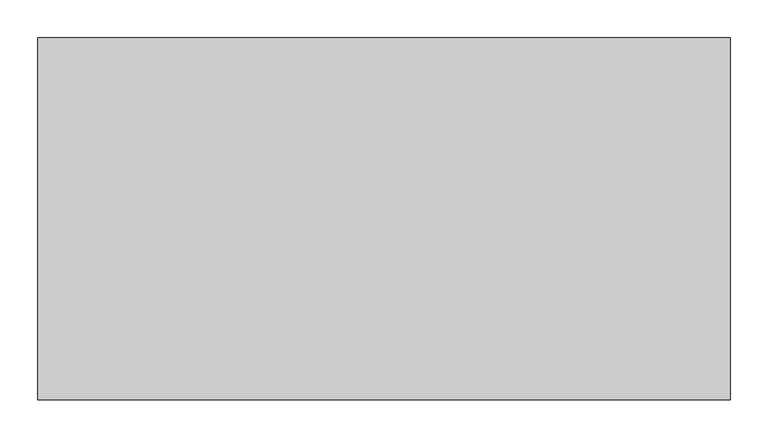
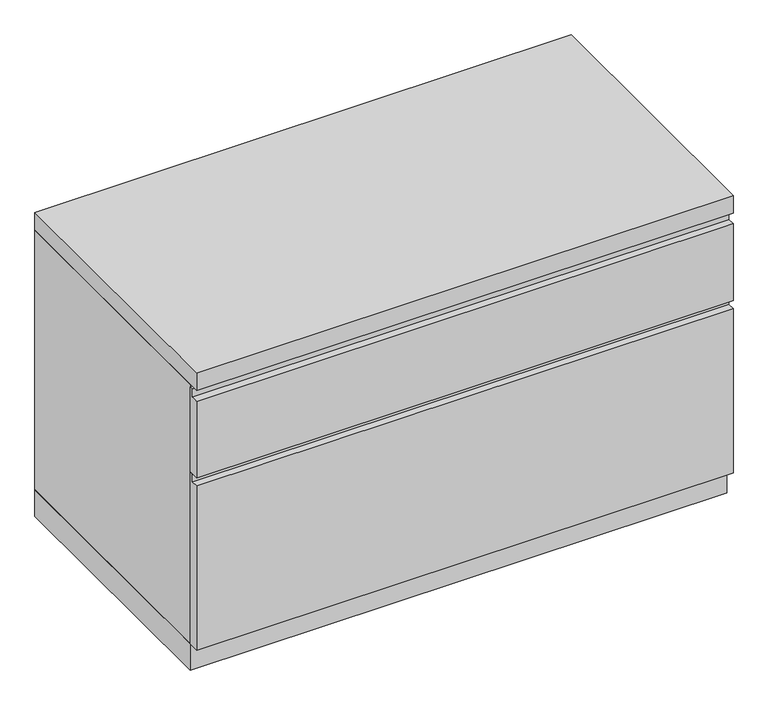
"""IFC4 building model written with IfcOpenShell, lengths in millimetres: furniture geometry."""

import ifcopenshell
import ifcopenshell.guid

model = None  # the IFC model being written
_history = None  # IfcOwnerHistory: only IFC2X3 demands one
_inside = {}  # id of a spatial element -> (the spatial element, [elements in it])
_under = {}  # id of a project, library or spatial element -> (it, [spatial elements below it])
_declared = {}  # id of a project -> (the project, [libraries it declares])
_typed = {}  # id of a type object -> (the type object, [elements of that type])
_made_of = {}  # id of a material, layer set ... -> (it, [elements and type objects made of it])


def new_model(schema):
    """Start an empty IFC model of exactly this schema.

    Asked for "IFC4X3", IfcOpenShell would pick the latest addendum, in which some entities
    have other attributes; the version numbers below select the first issue.
    IFC2X3 requires an IfcOwnerHistory on every rooted entity: one is made here for all.
    """
    global model, _history
    if schema == "IFC4X3":
        model = ifcopenshell.file(schema_version=(4, 3, 0, 0))
    else:
        model = ifcopenshell.file(schema=schema)
    _inside.clear()
    _under.clear()
    _declared.clear()
    _typed.clear()
    _made_of.clear()
    _history = None
    if model.schema == "IFC2X3":
        org = make("IfcOrganization", Name="unknown")
        user = make(
            "IfcPersonAndOrganization",
            ThePerson=make("IfcPerson", FamilyName="unknown"),
            TheOrganization=org,
        )
        app = make(
            "IfcApplication",
            ApplicationDeveloper=org,
            Version="unknown",
            ApplicationFullName="unknown",
            ApplicationIdentifier="unknown",
        )
        _history = make(
            "IfcOwnerHistory",
            OwningUser=user,
            OwningApplication=app,
            ChangeAction="ADDED",
            CreationDate=0,
        )
    return model


def make(cls, **values):
    """One entity of the class cls with the attributes given. An attribute that is None is left unset."""
    return model.create_entity(
        cls, **{name: value for name, value in values.items() if value is not None}
    )


def rooted(cls, **values):
    """An entity with a GlobalId (a new one), such as an element, a storey or a relation."""
    return make(cls, GlobalId=ifcopenshell.guid.new(), OwnerHistory=_history, **values)


def si_unit(unit_type, name, prefix=None):
    """IfcSIUnit, for example si_unit("LENGTHUNIT", "METRE", prefix="MILLI")."""
    return make("IfcSIUnit", UnitType=unit_type, Prefix=prefix, Name=name)


def assignment(units):
    """IfcUnitAssignment: the units of a project."""
    return None if units is None else make("IfcUnitAssignment", Units=units)


def point(xyz):
    """IfcCartesianPoint."""
    return None if xyz is None else make("IfcCartesianPoint", Coordinates=xyz)


def direction(xyz):
    """IfcDirection."""
    return None if xyz is None else make("IfcDirection", DirectionRatios=xyz)


def frame(location, z_axis=None, x_axis=None):
    """IfcAxis2Placement3D, a coordinate frame: its origin and axes. An axis left out is left unset."""
    return make(
        "IfcAxis2Placement3D",
        Location=point(location),
        Axis=direction(z_axis),
        RefDirection=direction(x_axis),
    )


def origin():
    """The frame at (0, 0, 0) with its axes left unset."""
    return frame((0.0, 0.0, 0.0))


def origin_with_axes():
    """The frame at (0, 0, 0) with the z axis (0, 0, 1) and the x axis (1, 0, 0) written out."""
    return frame((0.0, 0.0, 0.0), z_axis=(0.0, 0.0, 1.0), x_axis=(1.0, 0.0, 0.0))


def place(relative_to, where):
    """IfcLocalPlacement: puts the frame where relative to a parent placement (None: the world)."""
    return make(
        "IfcLocalPlacement", PlacementRelTo=relative_to, RelativePlacement=where
    )


def context(
    kind, dimensions, precision=None, world=None, true_north=None, identifier=None
):
    """IfcGeometricRepresentationContext, for example the 3D "Model" context."""
    return make(
        "IfcGeometricRepresentationContext",
        ContextIdentifier=identifier,
        ContextType=kind,
        CoordinateSpaceDimension=dimensions,
        Precision=precision,
        WorldCoordinateSystem=world,
        TrueNorth=true_north,
    )


def project(units=None, contexts=None):
    """IfcProject with its units and contexts."""
    return rooted(
        "IfcProject",
        Name="project",
        RepresentationContexts=contexts,
        UnitsInContext=assignment(units),
    )


def spatial(cls, under=None, at=None, **own):
    """A site, building, storey or space (cls), placed at a placement, below another one or the project."""
    s = rooted(cls, ObjectPlacement=at, **own)
    if under is not None:
        _under.setdefault(under.id(), (under, []))[1].append(s)
    return s


def polyline(points):
    """IfcPolyline through the points."""
    return make("IfcPolyline", Points=[point(p) for p in points])


def outline(outer, holes=None, kind="AREA"):
    """IfcArbitraryClosedProfileDef: a profile drawn as a closed curve; with holes, ...WithVoids."""
    if holes is None:
        return make("IfcArbitraryClosedProfileDef", ProfileType=kind, OuterCurve=outer)
    return make(
        "IfcArbitraryProfileDefWithVoids",
        ProfileType=kind,
        OuterCurve=outer,
        InnerCurves=holes,
    )


def extrude(swept, where, along, depth):
    """IfcExtrudedAreaSolid: the profile swept, set in the frame where, extruded along a direction by depth."""
    return make(
        "IfcExtrudedAreaSolid",
        SweptArea=swept,
        Position=where,
        ExtrudedDirection=direction(along),
        Depth=depth,
    )


def shape(context_of_items, identifier, shape_type, items):
    """IfcShapeRepresentation: the items that make up one representation, for example the "Body"."""
    return make(
        "IfcShapeRepresentation",
        ContextOfItems=context_of_items,
        RepresentationIdentifier=identifier,
        RepresentationType=shape_type,
        Items=items,
    )


def source(mapping_origin, context_of_items, identifier, shape_type, items):
    """IfcRepresentationMap: a shape defined once, which mapped items show again and again."""
    return make(
        "IfcRepresentationMap",
        MappingOrigin=mapping_origin,
        MappedRepresentation=shape(context_of_items, identifier, shape_type, items),
    )


def transform(
    local_origin,
    x_axis=None,
    y_axis=None,
    z_axis=None,
    scale=None,
    scale2=None,
    scale3=None,
    uniform=True,
):
    """IfcCartesianTransformationOperator3D, or its non-uniform kind. x_axis, y_axis, z_axis: its Axis1, 2, 3."""
    if uniform:
        return make(
            "IfcCartesianTransformationOperator3D",
            Axis1=direction(x_axis),
            Axis2=direction(y_axis),
            LocalOrigin=point(local_origin),
            Scale=scale,
            Axis3=direction(z_axis),
        )
    return make(
        "IfcCartesianTransformationOperator3DnonUniform",
        Axis1=direction(x_axis),
        Axis2=direction(y_axis),
        LocalOrigin=point(local_origin),
        Scale=scale,
        Axis3=direction(z_axis),
        Scale2=scale2,
        Scale3=scale3,
    )


def mapped(mapping_source, mapping_target):
    """IfcMappedItem: shows the shape of a source again, moved by a transform."""
    return make(
        "IfcMappedItem", MappingSource=mapping_source, MappingTarget=mapping_target
    )


def made_of(thing, what):
    """Note that an element or type object is made of a material, layer set ...; save() writes the relation."""
    if what is not None:
        _made_of.setdefault(what.id(), (what, []))[1].append(thing)
    return thing


def element(
    cls,
    number,
    at=None,
    inside=None,
    cuts=None,
    type_object=None,
    material=None,
    context=None,
    identifier="Body",
    shape_type=None,
    held_by="IfcProductDefinitionShape",
    body=None,
    shapes=None,
    **own,
):
    """One element of the class cls, such as IfcWall. Its Tag is "e" and its number.

    at: its placement. inside: the storey or other place that contains it. cuts: it is an
    opening in that element (IfcRelVoidsElement). A single representation is given by context,
    identifier, shape_type and body (its items); several are given by shapes. held_by: the class
    of the entity that holds the representations. save() writes the other relations.
    """
    e = rooted(cls, Tag="e%d" % number, ObjectPlacement=at, **own)
    if body is not None:
        shapes = [shape(context, identifier, shape_type, body)]
    if shapes is not None:
        e.Representation = make(held_by, Representations=shapes)
    if inside is not None:
        _inside.setdefault(inside.id(), (inside, []))[1].append(e)
    if cuts is not None:
        rooted(
            "IfcRelVoidsElement", RelatingBuildingElement=cuts, RelatedOpeningElement=e
        )
    if type_object is not None:
        _typed.setdefault(type_object.id(), (type_object, []))[1].append(e)
    return made_of(e, material)


def aggregate(whole, parts):
    """IfcRelAggregates: a whole, such as a stair, and the parts it consists of."""
    return rooted("IfcRelAggregates", RelatingObject=whole, RelatedObjects=parts)


def save(model, path):
    """Write the relations noted so far, then the file.

    IfcRelAggregates (storeys below a building ...), IfcRelContainedInSpatialStructure (elements
    in a storey), IfcRelDefinesByType, IfcRelAssociatesMaterial and IfcRelDeclares: one each for
    every whole, place, type object, material and project.
    """
    for whole, parts in _under.values():
        aggregate(whole, parts)
    for where, things in _inside.values():
        rooted(
            "IfcRelContainedInSpatialStructure",
            RelatedElements=things,
            RelatingStructure=where,
        )
    for kind, things in _typed.values():
        rooted("IfcRelDefinesByType", RelatedObjects=things, RelatingType=kind)
    for what, things in _made_of.values():
        rooted("IfcRelAssociatesMaterial", RelatedObjects=things, RelatingMaterial=what)
    for by, libraries in _declared.values():
        rooted("IfcRelDeclares", RelatingContext=by, RelatedDefinitions=libraries)
    model.write(path)


def furniture_4366de90(model_context):
    return source(origin(), model_context, "Body", "SweptSolid", [
        extrude(outline(polyline([(-457.2, 357.1875), (-476.25, 357.1875), (-476.25, 495.3), (-463.55, 495.3), (-463.55, 509.5875), (-457.2, 509.5875), (-457.2, 357.1875)])), frame((-455.6125, 0.0, 0.0), z_axis=(1.0, 0.0, 0.0), x_axis=(0.0, 1.0, 0.0)), (0.0, 0.0, 1.0), 911.225),
        extrude(outline(polyline([(-457.2, 47.625), (-476.25, 47.625), (-476.25, 342.9), (-463.55, 342.9), (-463.55, 357.1875), (-457.2, 357.1875), (-457.2, 47.625)])), frame((-455.6125, 0.0, 0.0), z_axis=(1.0, 0.0, 0.0), x_axis=(0.0, 1.0, 0.0)), (0.0, 0.0, 1.0), 911.225),
        extrude(outline(polyline([(455.6125, 0.0), (455.6125, -457.2), (-455.6125, -457.2), (-455.6125, 0.0), (455.6125, 0.0)])), origin_with_axes(), (0.0, 0.0, 1.0), 47.625),
        extrude(outline(polyline([(455.6125, 0.0), (455.6125, -476.25), (-455.6125, -476.25), (-455.6125, 0.0), (455.6125, 0.0)])), frame((0.0, 0.0, 514.35), z_axis=(0.0, 0.0, 1.0), x_axis=(1.0, 0.0, 0.0)), (0.0, 0.0, 1.0), 31.75),
        extrude(outline(polyline([(455.6125, 0.0), (455.6125, -457.2), (436.5625, -457.2), (436.5625, -19.05), (-436.5625, -19.05), (-436.5625, -457.2), (-455.6125, -457.2), (-455.6125, 0.0), (455.6125, 0.0)])), frame((0.0, 0.0, 47.625), z_axis=(0.0, 0.0, 1.0), x_axis=(1.0, 0.0, 0.0)), (0.0, 0.0, 1.0), 466.725),
    ])


if __name__ == "__main__":
    model = new_model("IFC4")
    model_context = context("Model", 3, world=origin())
    ifc_project = project(units=[si_unit("LENGTHUNIT", "METRE", prefix="MILLI")], contexts=[model_context])
    site = spatial("IfcSite", under=ifc_project)
    building = spatial("IfcBuilding", under=site)
    placement = place(None, origin())
    furniture_shape = furniture_4366de90(model_context)
    element("IfcFurniture", 1, at=placement, inside=building, context=model_context, shape_type="MappedRepresentation", body=[
        mapped(furniture_shape, transform((0.0, 0.0, 0.0), x_axis=(1.0, 0.0, 0.0), y_axis=(0.0, 1.0, 0.0), z_axis=(0.0, 0.0, 1.0))),
    ])
    save(model, "model.ifc")
